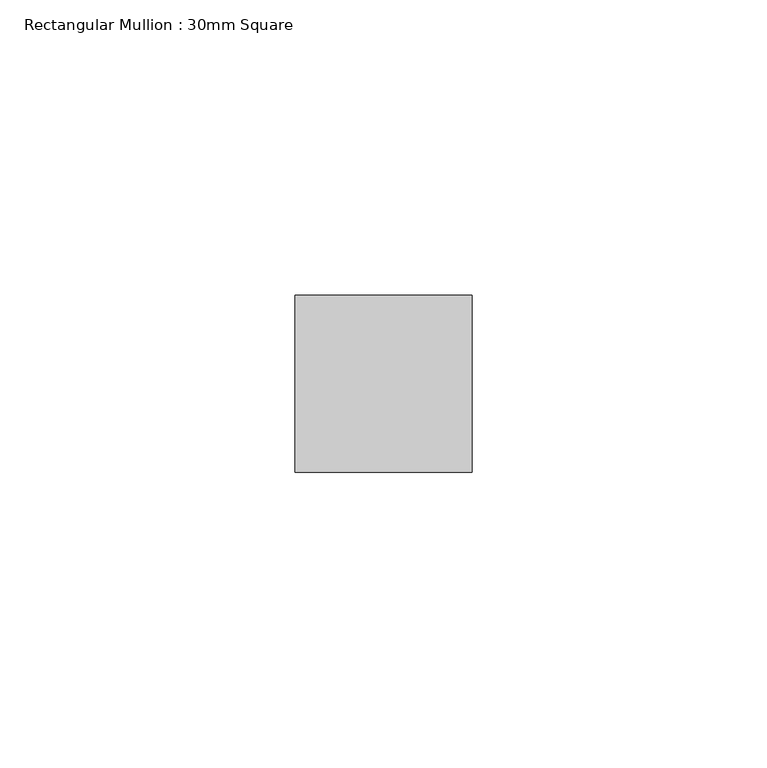
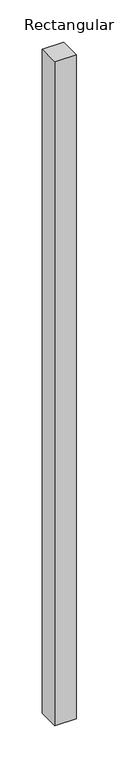
"""IFC4 building model written with IfcOpenShell, lengths in millimetres: member geometry, Rectangular Mullion : 30mm Square."""

from ifc_helpers import new_model, si_unit, frame, origin, place, context, project, spatial, polyline, outline, extrude, source, transform, mapped, element, save


def rectangular_mullion_30mm_square_f9598763(model_context):
    return source(origin(), model_context, "Body", "SweptSolid", [
        extrude(outline(polyline([(0.0, 15.0), (0.0, -15.0), (-30.0, -15.0), (-30.0, 15.0), (0.0, 15.0)])), frame((0.0, 0.0, -964.5115613), z_axis=(0.0, 0.0, 1.0), x_axis=(1.0, 0.0, 0.0)), (0.0, 0.0, 1.0), 964.5115613),
    ])


if __name__ == "__main__":
    model = new_model("IFC4")
    model_context = context("Model", 3, world=origin())
    ifc_project = project(units=[si_unit("LENGTHUNIT", "METRE", prefix="MILLI")], contexts=[model_context])
    site = spatial("IfcSite", under=ifc_project)
    building = spatial("IfcBuilding", under=site)
    placement = place(None, origin())
    rectangular_mullion_30mm_square_shape = rectangular_mullion_30mm_square_f9598763(model_context)
    element("IfcMember", 1, ObjectType="Rectangular Mullion : 30mm Square", at=placement, inside=building, context=model_context, shape_type="MappedRepresentation", body=[
        mapped(rectangular_mullion_30mm_square_shape, transform((0.0, 0.0, 0.0), x_axis=(1.0, 0.0, 0.0), y_axis=(0.0, 1.0, 0.0), z_axis=(0.0, 0.0, 1.0))),
    ])
    save(model, "model.ifc")
